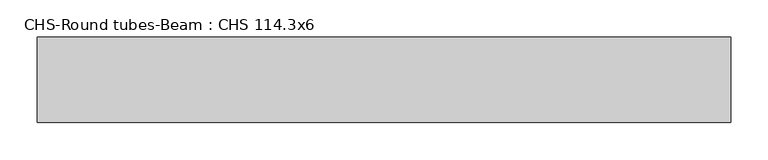
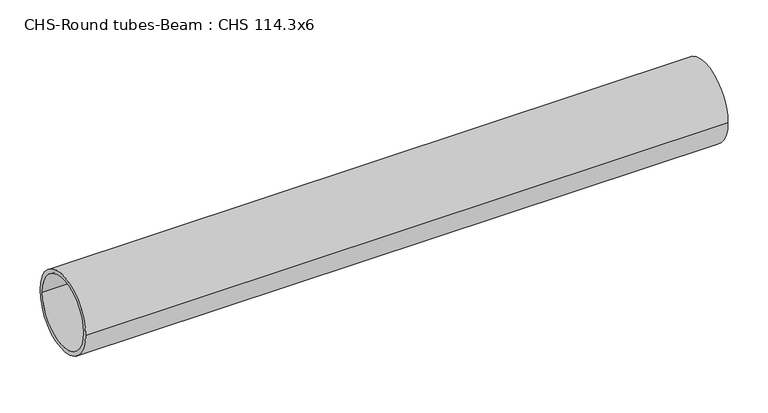
"""IFC4 building model written with IfcOpenShell, lengths in millimetres: beam geometry, CHS-Round tubes-Beam : CHS 114.3x6."""

from ifc_helpers import new_model, si_unit, point, frame, origin, origin_2d, place, context, project, spatial, circle_curve, trimmed, segment, composite_curve, outline, extrude, source, transform, mapped, element, save


def chs_round_tubes_beam_chs_114_3x6_03b61565(model_context):
    return source(origin(), model_context, "Body", "SweptSolid", [
        extrude(outline(composite_curve([segment(trimmed(circle_curve(origin_2d(), 57.15), [point((57.15, 0.0))], [point((-57.15, 0.0))], False, "CARTESIAN"), True, "CONTINUOUS"), segment(trimmed(circle_curve(origin_2d(), 57.15), [point((-57.15, 0.0))], [point((57.15, 0.0))], False, "CARTESIAN"), True, "CONTINUOUS")], self_intersect=False), holes=[composite_curve([segment(trimmed(circle_curve(origin_2d(), 51.15), [point((51.15, 0.0))], [point((-51.15, 0.0))], True, "CARTESIAN"), True, "CONTINUOUS"), segment(trimmed(circle_curve(origin_2d(), 51.15), [point((-51.15, 0.0))], [point((51.15, 0.0))], True, "CARTESIAN"), True, "CONTINUOUS")], self_intersect=False)]), frame((-493.8026615, 0.0, 0.0), z_axis=(1.0, 0.0, 0.0), x_axis=(0.0, 1.0, 0.0)), (0.0, 0.0, 1.0), 925.9617949),
    ])


if __name__ == "__main__":
    model = new_model("IFC4")
    model_context = context("Model", 3, world=origin())
    ifc_project = project(units=[si_unit("LENGTHUNIT", "METRE", prefix="MILLI")], contexts=[model_context])
    site = spatial("IfcSite", under=ifc_project)
    building = spatial("IfcBuilding", under=site)
    placement = place(None, origin())
    chs_round_tubes_beam_chs_114_3x6_shape = chs_round_tubes_beam_chs_114_3x6_03b61565(model_context)
    element("IfcBeam", 1, ObjectType="CHS-Round tubes-Beam : CHS 114.3x6", at=placement, inside=building, context=model_context, shape_type="MappedRepresentation", body=[
        mapped(chs_round_tubes_beam_chs_114_3x6_shape, transform((0.0, 0.0, 0.0), x_axis=(1.0, 0.0, 0.0), y_axis=(0.0, 1.0, 0.0), z_axis=(0.0, 0.0, 1.0))),
    ])
    save(model, "model.ifc")
